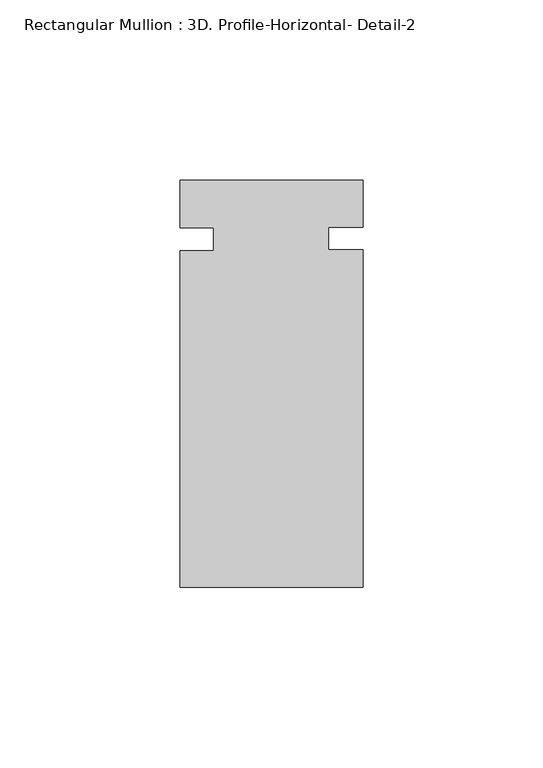
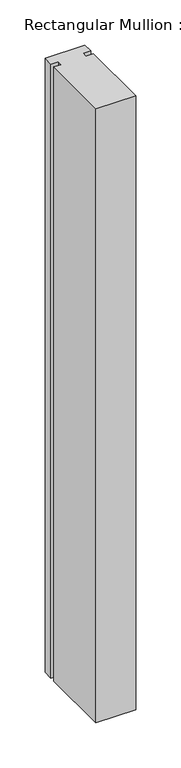
"""IFC4 building model written with IfcOpenShell, lengths in millimetres: member geometry, Rectangular Mullion : 3D. Profile-Horizontal- Detail-2."""

from ifc_helpers import new_model, si_unit, frame, origin, place, context, project, spatial, polyline, outline, extrude, source, transform, mapped, element, save


def rectangular_mullion_3d_profile_horizontal_detail_2_7706dea2(model_context):
    return source(origin(), model_context, "Body", "SweptSolid", [
        extrude(outline(polyline([(25.4, -39.2826875), (-25.4, -39.2826875), (-25.4, 54.211545), (-16.0655, 54.211545), (-16.0655, 60.561545), (-25.4, 60.561545), (-25.4, 73.7981125), (25.4, 73.7981125), (25.4, 60.7351778), (15.875, 60.7351778), (15.875, 54.3975801), (25.4, 54.3975801), (25.4, -39.2826875)])), frame((0.0, 0.0, -832.4232521), z_axis=(0.0, 0.0, 1.0), x_axis=(1.0, 0.0, 0.0)), (0.0, 0.0, 1.0), 832.4232521),
    ])


if __name__ == "__main__":
    model = new_model("IFC4")
    model_context = context("Model", 3, world=origin())
    ifc_project = project(units=[si_unit("LENGTHUNIT", "METRE", prefix="MILLI")], contexts=[model_context])
    site = spatial("IfcSite", under=ifc_project)
    building = spatial("IfcBuilding", under=site)
    placement = place(None, origin())
    rectangular_mullion_3d_profile_horizontal_detail_2_shape = rectangular_mullion_3d_profile_horizontal_detail_2_7706dea2(model_context)
    element("IfcMember", 1, ObjectType="Rectangular Mullion : 3D. Profile-Horizontal- Detail-2", at=placement, inside=building, context=model_context, shape_type="MappedRepresentation", body=[
        mapped(rectangular_mullion_3d_profile_horizontal_detail_2_shape, transform((0.0, 0.0, 0.0), x_axis=(1.0, 0.0, 0.0), y_axis=(0.0, 1.0, 0.0), z_axis=(0.0, 0.0, 1.0))),
    ])
    save(model, "model.ifc")
